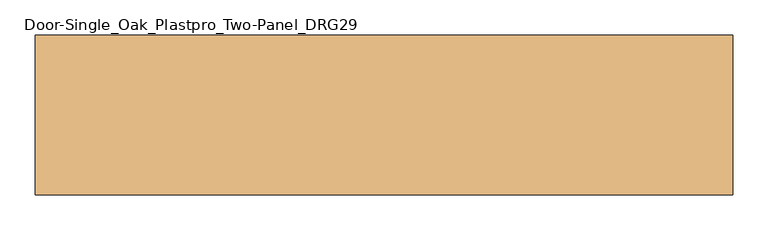
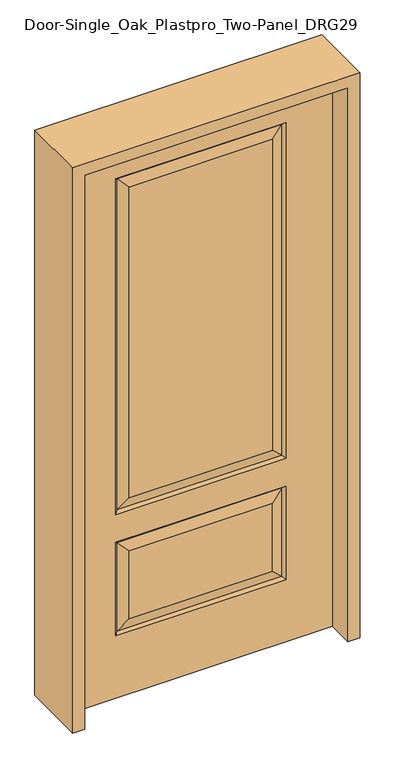
"""IFC4 building model written with IfcOpenShell, lengths in millimetres: door geometry, Door-Single_Oak_Plastpro_Two-Panel_DRG29."""

from ifc_helpers import new_model, si_unit, frame, origin, place, context, project, spatial, polyline, outline, extrude, faceted_brep, source, transform, mapped, element, save


def door_single_oak_plastpro_two_panel_drg29_4af9e2cd(model_context):
    return source(origin(), model_context, "Body", "SolidModel", [
        faceted_brep([(-286.1796986, -11.6572439, 562.4046986), (-249.1224548, -20.6375, 525.3474548), (249.1224548, -20.6375, 525.3474548), (286.1796986, -11.6572439, 562.4046986), (249.1224548, -20.6375, 274.7525452), (286.1796986, -11.6572439, 237.6953014), (457.2, 20.6375, 0.0), (457.2, -20.6375, 0.0), (-457.2, -20.6375, 0.0), (-457.2, 20.6375, 0.0), (457.2, 20.6375, 2032.0), (457.2, -20.6375, 2032.0), (-249.1224548, -20.6375, 719.2525452), (249.1224548, -20.6375, 719.2525452), (249.1224548, -20.6375, 1858.8474548), (-249.1224548, -20.6375, 1858.8474548), (-457.2, -20.6375, 2032.0), (295.1599548, -20.6375, 673.2150452), (-295.1599548, -20.6375, 673.2150452), (-295.1599548, -20.6375, 1904.8849548), (295.1599548, -20.6375, 1904.8849548), (295.1599548, -20.6375, 228.7150452), (-295.1599548, -20.6375, 228.7150452), (-295.1599548, -20.6375, 571.3849548), (295.1599548, -20.6375, 571.3849548), (-249.1224548, -20.6375, 274.7525452), (-249.1224548, 20.6375, 274.7525452), (-286.1796986, 11.6572439, 237.6953014), (-286.1796986, 11.6572439, 562.4046986), (-249.1224548, 20.6375, 525.3474548), (-295.1599548, 20.6375, 228.7150452), (-295.1599548, 20.6375, 571.3849548), (286.1796986, 11.6572439, 237.6953014), (249.1224548, 20.6375, 274.7525452), (249.1224548, 20.6375, 525.3474548), (286.1796986, 11.6572439, 562.4046986), (286.1796986, 11.6572439, 682.1953014), (-286.1796986, 11.6572439, 682.1953014), (-249.1224548, 20.6375, 719.2525452), (249.1224548, 20.6375, 719.2525452), (-286.1796986, 11.6572439, 1895.9046986), (-249.1224548, 20.6375, 1858.8474548), (295.1599548, 20.6375, 571.3849548), (-286.1796986, -11.6572439, 237.6953014), (-457.2, 20.6375, 2032.0), (295.1599548, 20.6375, 228.7150452), (-295.1599548, 20.6375, 673.2150452), (295.1599548, 20.6375, 673.2150452), (295.1599548, 20.6375, 1904.8849548), (-295.1599548, 20.6375, 1904.8849548), (249.1224548, 20.6375, 1858.8474548), (286.1796986, 11.6572439, 1895.9046986), (286.1796986, -11.6572439, 682.1953014), (-286.1796986, -11.6572439, 682.1953014), (-286.1796986, -11.6572439, 1895.9046986), (286.1796986, -11.6572439, 1895.9046986)], [[[0, 1, 2, 3]], [[4, 5, 3, 2]], [[6, 7, 8, 9]], [[10, 11, 7, 6]], [[12, 13, 14, 15]], [[11, 16, 8, 7], [17, 18, 19, 20], [21, 22, 23, 24]], [[25, 4, 2, 1]], [[26, 27, 28, 29]], [[27, 30, 31, 28]], [[32, 33, 34, 35]], [[36, 37, 38, 39]], [[38, 37, 40, 41]], [[28, 31, 42, 35]], [[22, 43, 0, 23]], [[23, 0, 3, 24]], [[16, 44, 9, 8]], [[33, 26, 29, 34]], [[44, 10, 6, 9], [30, 45, 42, 31], [46, 47, 48, 49]], [[39, 38, 41, 50]], [[10, 44, 16, 11]], [[47, 36, 51, 48]], [[27, 32, 45, 30]], [[36, 39, 50, 51]], [[45, 32, 35, 42]], [[37, 36, 47, 46]], [[37, 46, 49, 40]], [[32, 27, 26, 33]], [[29, 28, 35, 34]], [[52, 53, 18, 17]], [[18, 53, 54, 19]], [[52, 17, 20, 55]], [[53, 52, 13, 12]], [[13, 52, 55, 14]], [[53, 12, 15, 54]], [[5, 43, 22, 21]], [[5, 21, 24, 3]], [[43, 5, 4, 25]], [[43, 25, 1, 0]], [[19, 54, 55, 20]], [[54, 15, 14, 55]], [[41, 40, 51, 50]], [[40, 49, 48, 51]]]),
        extrude(outline(polyline([(2073.275, -498.475), (0.0, -498.475), (0.0, -457.2), (2032.0, -457.2), (2032.0, 457.2), (0.0, 457.2), (0.0, 498.475), (2073.275, 498.475), (2073.275, -498.475)])), frame((0.0, -114.3, 0.0), z_axis=(0.0, 1.0, 0.0), x_axis=(0.0, 0.0, 1.0)), (0.0, 0.0, 1.0), 228.6),
    ])


if __name__ == "__main__":
    model = new_model("IFC4")
    model_context = context("Model", 3, world=origin())
    ifc_project = project(units=[si_unit("LENGTHUNIT", "METRE", prefix="MILLI")], contexts=[model_context])
    site = spatial("IfcSite", under=ifc_project)
    building = spatial("IfcBuilding", under=site)
    placement = place(None, origin())
    door_single_oak_plastpro_two_panel_drg29_shape = door_single_oak_plastpro_two_panel_drg29_4af9e2cd(model_context)
    element("IfcDoor", 1, ObjectType="Door-Single_Oak_Plastpro_Two-Panel_DRG29", at=placement, inside=building, context=model_context, shape_type="MappedRepresentation", body=[
        mapped(door_single_oak_plastpro_two_panel_drg29_shape, transform((0.0, 0.0, 0.0), x_axis=(1.0, 0.0, 0.0), y_axis=(0.0, 1.0, 0.0), z_axis=(0.0, 0.0, 1.0))),
    ])
    save(model, "model.ifc")
